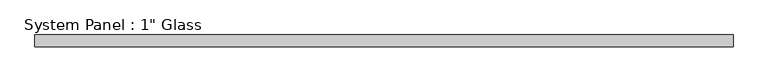
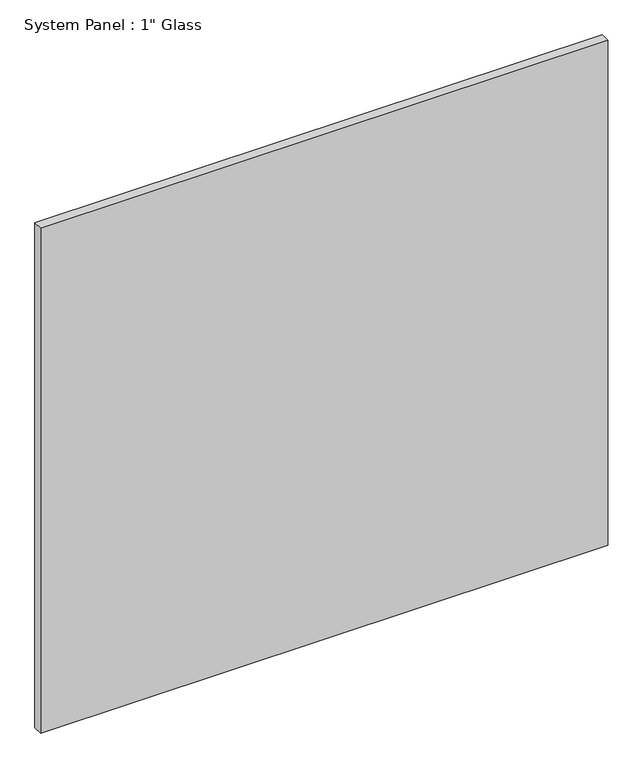
"""IFC4 building model written with IfcOpenShell, lengths in millimetres: plate geometry."""

from ifc_helpers import new_model, si_unit, origin, origin_with_axes, place, context, project, spatial, polyline, outline, extrude, source, transform, mapped, element, save


def plate_def5feae(model_context):
    return source(origin(), model_context, "Body", "SweptSolid", [
        extrude(outline(polyline([(742.9508852, -12.7), (-742.9508852, -12.7), (-742.9508852, 12.7), (742.9508852, 12.7), (742.9508852, -12.7)])), origin_with_axes(), (0.0, 0.0, 1.0), 1397.5261731),
    ])


if __name__ == "__main__":
    model = new_model("IFC4")
    model_context = context("Model", 3, world=origin())
    ifc_project = project(units=[si_unit("LENGTHUNIT", "METRE", prefix="MILLI")], contexts=[model_context])
    site = spatial("IfcSite", under=ifc_project)
    building = spatial("IfcBuilding", under=site)
    placement = place(None, origin())
    plate_shape = plate_def5feae(model_context)
    element("IfcPlate", 1, ObjectType="System Panel : 1\" Glass", at=placement, inside=building, context=model_context, shape_type="MappedRepresentation", body=[
        mapped(plate_shape, transform((0.0, 0.0, 0.0), x_axis=(1.0, 0.0, 0.0), y_axis=(0.0, 1.0, 0.0), z_axis=(0.0, 0.0, 1.0))),
    ])
    save(model, "model.ifc")
